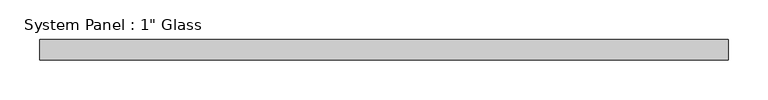
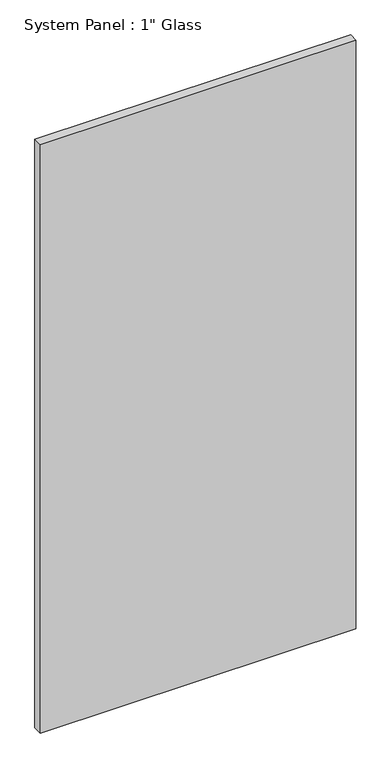
"""IFC4 building model written with IfcOpenShell, lengths in millimetres: plate geometry."""

from ifc_helpers import new_model, si_unit, origin, origin_with_axes, place, context, project, spatial, polyline, outline, extrude, source, transform, mapped, element, save


def plate_9c4e0608(model_context):
    return source(origin(), model_context, "Body", "SweptSolid", [
        extrude(outline(polyline([(430.2825975, -12.7), (-430.2825975, -12.7), (-430.2825975, 12.7), (430.2825975, 12.7), (430.2825975, -12.7)])), origin_with_axes(), (0.0, 0.0, 1.0), 1695.45),
    ])


if __name__ == "__main__":
    model = new_model("IFC4")
    model_context = context("Model", 3, world=origin())
    ifc_project = project(units=[si_unit("LENGTHUNIT", "METRE", prefix="MILLI")], contexts=[model_context])
    site = spatial("IfcSite", under=ifc_project)
    building = spatial("IfcBuilding", under=site)
    placement = place(None, origin())
    plate_shape = plate_9c4e0608(model_context)
    element("IfcPlate", 1, ObjectType="System Panel : 1\" Glass", at=placement, inside=building, context=model_context, shape_type="MappedRepresentation", body=[
        mapped(plate_shape, transform((0.0, 0.0, 0.0), x_axis=(1.0, 0.0, 0.0), y_axis=(0.0, 1.0, 0.0), z_axis=(0.0, 0.0, 1.0))),
    ])
    save(model, "model.ifc")
